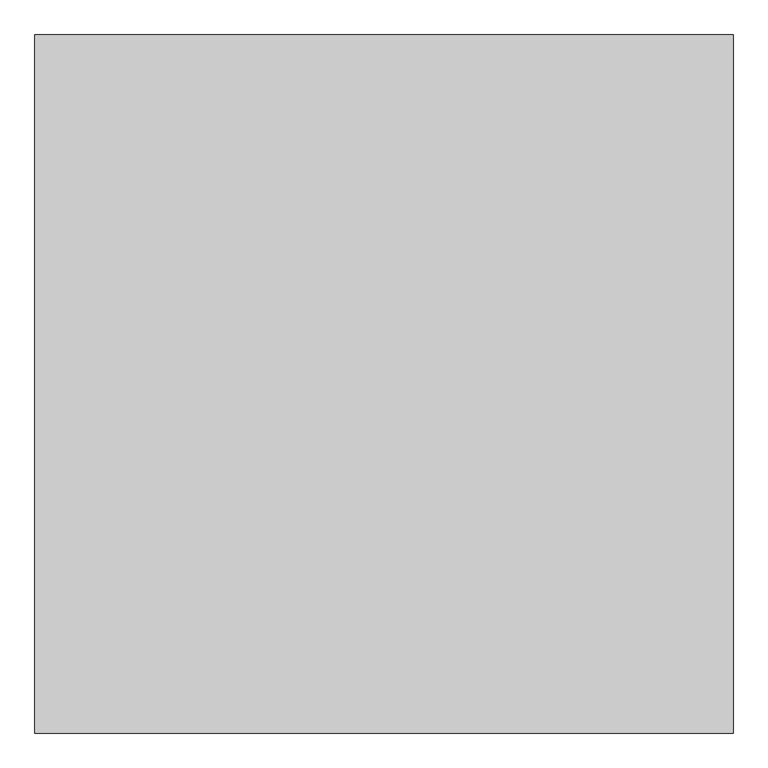
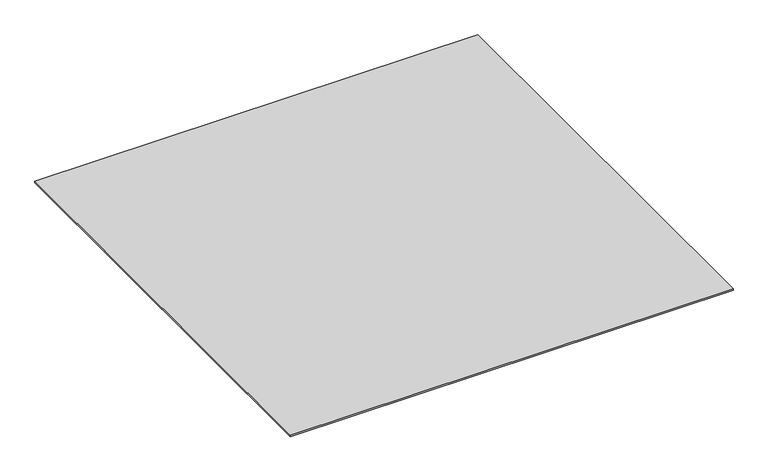
"""IFC4 building model written with IfcOpenShell, lengths in millimetres: proxy geometry."""

from ifc_helpers import new_model, si_unit, origin, origin_with_axes, place, context, project, spatial, polyline, outline, extrude, source, transform, mapped, element, save


def generic_models_628e5b80(model_context):
    return source(origin(), model_context, "Body", "SweptSolid", [
        extrude(outline(polyline([(7403.0762132, -26587.355679), (7403.0762132, -27587.355679), (6403.0762132, -27587.355679), (6403.0762132, -26587.355679), (7403.0762132, -26587.355679)])), origin_with_axes(), (0.0, 0.0, 1.0), 3.0),
    ])


if __name__ == "__main__":
    model = new_model("IFC4")
    model_context = context("Model", 3, world=origin())
    ifc_project = project(units=[si_unit("LENGTHUNIT", "METRE", prefix="MILLI")], contexts=[model_context])
    site = spatial("IfcSite", under=ifc_project)
    building = spatial("IfcBuilding", under=site)
    placement = place(None, origin())
    generic_models_shape = generic_models_628e5b80(model_context)
    element("IfcBuildingElementProxy", 1, Name="Generic Models", at=placement, inside=building, context=model_context, shape_type="MappedRepresentation", body=[
        mapped(generic_models_shape, transform((0.0, 0.0, 0.0), x_axis=(1.0, 0.0, 0.0), y_axis=(0.0, 1.0, 0.0), z_axis=(0.0, 0.0, 1.0))),
    ])
    save(model, "model.ifc")
